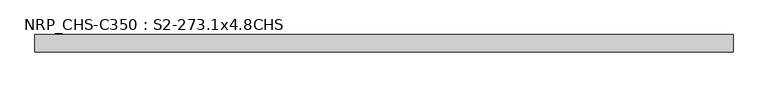
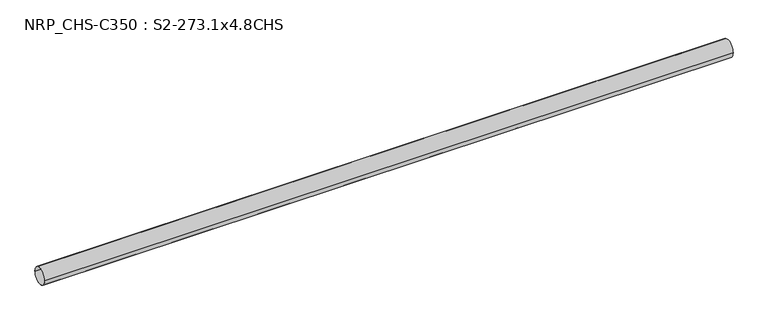
"""IFC4 building model written with IfcOpenShell, lengths in millimetres: beam geometry, NRP_CHS-C350 : S2-273.1x4.8CHS."""

from ifc_helpers import new_model, si_unit, point, frame, origin, origin_2d, place, context, project, spatial, circle_curve, trimmed, segment, composite_curve, outline, extrude, source, transform, mapped, element, save


def nrp_chs_c350_s2_273_1x4_8chs_c121758c(model_context):
    return source(origin(), model_context, "Body", "SweptSolid", [
        extrude(outline(composite_curve([segment(trimmed(circle_curve(origin_2d(), 136.55), [point((-136.55, 0.0))], [point((136.55, 0.0))], False, "CARTESIAN"), True, "CONTINUOUS"), segment(trimmed(circle_curve(origin_2d(), 136.55), [point((136.55, 0.0))], [point((-136.55, 0.0))], False, "CARTESIAN"), True, "CONTINUOUS")], self_intersect=False), holes=[composite_curve([segment(trimmed(circle_curve(origin_2d(), 131.75), [point((131.75, 0.0))], [point((-131.75, 0.0))], True, "CARTESIAN"), True, "CONTINUOUS"), segment(trimmed(circle_curve(origin_2d(), 131.75), [point((-131.75, 0.0))], [point((131.75, 0.0))], True, "CARTESIAN"), True, "CONTINUOUS")], self_intersect=False)]), frame((-5419.1, 0.0, 0.0), z_axis=(1.0, 0.0, 0.0), x_axis=(0.0, 1.0, 0.0)), (0.0, 0.0, 1.0), 10961.4),
    ])


if __name__ == "__main__":
    model = new_model("IFC4")
    model_context = context("Model", 3, world=origin())
    ifc_project = project(units=[si_unit("LENGTHUNIT", "METRE", prefix="MILLI")], contexts=[model_context])
    site = spatial("IfcSite", under=ifc_project)
    building = spatial("IfcBuilding", under=site)
    placement = place(None, origin())
    nrp_chs_c350_s2_273_1x4_8chs_shape = nrp_chs_c350_s2_273_1x4_8chs_c121758c(model_context)
    element("IfcBeam", 1, ObjectType="NRP_CHS-C350 : S2-273.1x4.8CHS", at=placement, inside=building, context=model_context, shape_type="MappedRepresentation", body=[
        mapped(nrp_chs_c350_s2_273_1x4_8chs_shape, transform((0.0, 0.0, 0.0), x_axis=(1.0, 0.0, 0.0), y_axis=(0.0, 1.0, 0.0), z_axis=(0.0, 0.0, 1.0))),
    ])
    save(model, "model.ifc")
